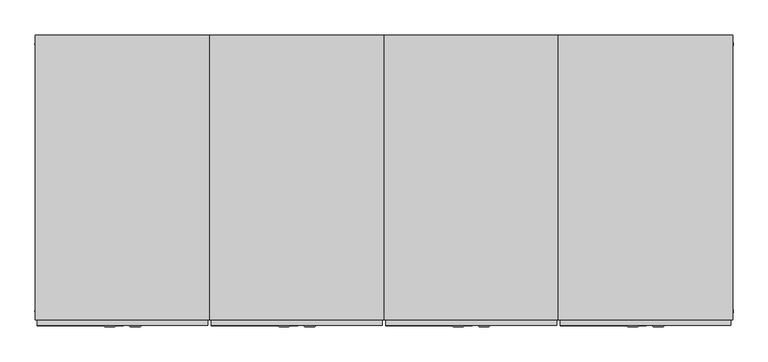
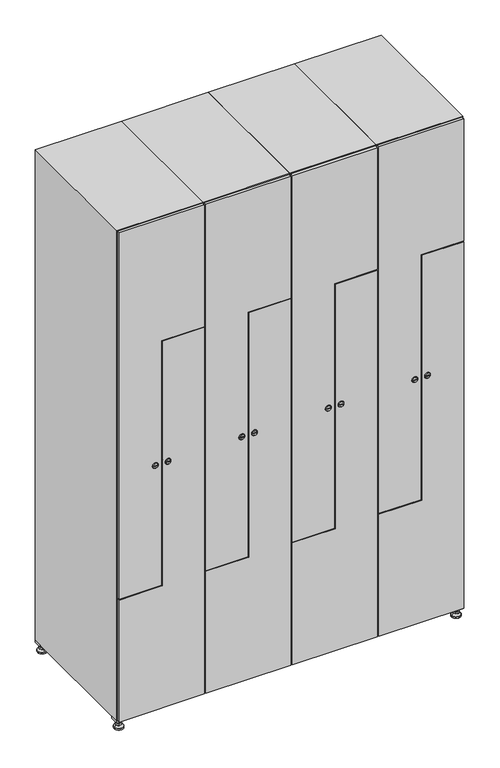
"""IFC4 building model written with IfcOpenShell, lengths in millimetres: furniture geometry."""

from ifc_helpers import new_model, si_unit, point, frame, frame_2d, origin, origin_with_axes, place, context, project, spatial, polyline, circle_curve, trimmed, segment, composite_curve, outline, extrude, faceted_brep, source, transform, mapped, element, save
from ifc_brep_helpers import plane_surface, revolved_surface, advanced_brep


def furniture_36a79df6(model_context):
    return source(origin(), model_context, "Body", "SolidModel", [
        extrude(outline(polyline([(1000.0, 245.0), (1000.0, 215.0), (970.0, 215.0), (970.0, 245.0), (1000.0, 245.0)]), holes=[polyline([(998.0, 243.0), (972.0, 243.0), (972.0, 217.0), (998.0, 217.0), (998.0, 243.0)])]), frame((0.0, 0.0, 28.5), z_axis=(0.0, 0.0, 1.0), x_axis=(1.0, 0.0, 0.0)), (0.0, 0.0, 1.0), 6.5),
        extrude(outline(polyline([(970.0, -245.0), (970.0, -215.0), (1000.0, -215.0), (1000.0, -245.0), (970.0, -245.0)]), holes=[polyline([(972.0, -243.0), (998.0, -243.0), (998.0, -217.0), (972.0, -217.0), (972.0, -243.0)])]), frame((0.0, 0.0, 28.5), z_axis=(0.0, 0.0, 1.0), x_axis=(1.0, 0.0, 0.0)), (0.0, 0.0, 1.0), 6.5),
        extrude(outline(polyline([(-170.0, 245.0), (-170.0, 215.0), (-200.0, 215.0), (-200.0, 245.0), (-170.0, 245.0)]), holes=[polyline([(-172.0, 243.0), (-198.0, 243.0), (-198.0, 217.0), (-172.0, 217.0), (-172.0, 243.0)])]), frame((0.0, 0.0, 28.5), z_axis=(0.0, 0.0, 1.0), x_axis=(1.0, 0.0, 0.0)), (0.0, 0.0, 1.0), 6.5),
        extrude(outline(polyline([(-170.0, -215.0), (-170.0, -245.0), (-200.0, -245.0), (-200.0, -215.0), (-170.0, -215.0)]), holes=[polyline([(-198.0, -243.0), (-172.0, -243.0), (-172.0, -217.0), (-198.0, -217.0), (-198.0, -243.0)])]), frame((0.0, 0.0, 28.5), z_axis=(0.0, 0.0, 1.0), x_axis=(1.0, 0.0, 0.0)), (0.0, 0.0, 1.0), 6.5),
        extrude(outline(composite_curve([segment(trimmed(circle_curve(frame_2d((-185.0, 230.0)), 5.0), [point((-180.0, 230.0))], [point((-190.0, 230.0))], False, "CARTESIAN"), True, "CONTINUOUS"), segment(trimmed(circle_curve(frame_2d((-185.0, 230.0)), 5.0), [point((-190.0, 230.0))], [point((-180.0, 230.0))], False, "CARTESIAN"), True, "CONTINUOUS")], self_intersect=False)), frame((0.0, 0.0, 19.6), z_axis=(0.0, 0.0, 1.0), x_axis=(1.0, 0.0, 0.0)), (0.0, 0.0, 1.0), 15.4),
        extrude(outline(composite_curve([segment(trimmed(circle_curve(frame_2d((-185.0, -230.0)), 5.0), [point((-180.0, -230.0))], [point((-190.0, -230.0))], False, "CARTESIAN"), True, "CONTINUOUS"), segment(trimmed(circle_curve(frame_2d((-185.0, -230.0)), 5.0), [point((-190.0, -230.0))], [point((-180.0, -230.0))], False, "CARTESIAN"), True, "CONTINUOUS")], self_intersect=False)), frame((0.0, 0.0, 19.6), z_axis=(0.0, 0.0, 1.0), x_axis=(1.0, 0.0, 0.0)), (0.0, 0.0, 1.0), 15.4),
        extrude(outline(composite_curve([segment(trimmed(circle_curve(frame_2d((985.0, 230.0)), 5.0), [point((990.0, 230.0))], [point((980.0, 230.0))], False, "CARTESIAN"), True, "CONTINUOUS"), segment(trimmed(circle_curve(frame_2d((985.0, 230.0)), 5.0), [point((980.0, 230.0))], [point((990.0, 230.0))], False, "CARTESIAN"), True, "CONTINUOUS")], self_intersect=False)), frame((0.0, 0.0, 19.6), z_axis=(0.0, 0.0, 1.0), x_axis=(1.0, 0.0, 0.0)), (0.0, 0.0, 1.0), 15.4),
        extrude(outline(polyline([(973.4529946, 230.0), (979.2264973, 240.0), (990.7735027, 240.0), (996.5470054, 230.0), (990.7735027, 220.0), (979.2264973, 220.0), (973.4529946, 230.0)])), frame((0.0, 0.0, 13.6), z_axis=(0.0, 0.0, 1.0), x_axis=(1.0, 0.0, 0.0)), (0.0, 0.0, 1.0), 6.0),
        extrude(outline(composite_curve([segment(trimmed(circle_curve(frame_2d((985.0, -230.0)), 5.0), [point((990.0, -230.0))], [point((980.0, -230.0))], False, "CARTESIAN"), True, "CONTINUOUS"), segment(trimmed(circle_curve(frame_2d((985.0, -230.0)), 5.0), [point((980.0, -230.0))], [point((990.0, -230.0))], False, "CARTESIAN"), True, "CONTINUOUS")], self_intersect=False)), frame((0.0, 0.0, 19.6), z_axis=(0.0, 0.0, 1.0), x_axis=(1.0, 0.0, 0.0)), (0.0, 0.0, 1.0), 15.4),
        extrude(outline(polyline([(973.4529946, -230.0), (979.2264973, -220.0), (990.7735027, -220.0), (996.5470054, -230.0), (990.7735027, -240.0), (979.2264973, -240.0), (973.4529946, -230.0)])), frame((0.0, 0.0, 13.6), z_axis=(0.0, 0.0, 1.0), x_axis=(1.0, 0.0, 0.0)), (0.0, 0.0, 1.0), 6.0),
        extrude(outline(composite_curve([segment(trimmed(circle_curve(frame_2d((985.0, 230.0)), 5.0), [point((990.0, 230.0))], [point((980.0, 230.0))], False, "CARTESIAN"), True, "CONTINUOUS"), segment(trimmed(circle_curve(frame_2d((985.0, 230.0)), 5.0), [point((980.0, 230.0))], [point((990.0, 230.0))], False, "CARTESIAN"), True, "CONTINUOUS")], self_intersect=False)), frame((0.0, 0.0, 12.1), z_axis=(0.0, 0.0, 1.0), x_axis=(1.0, 0.0, 0.0)), (0.0, 0.0, 1.0), 1.5),
        extrude(outline(composite_curve([segment(trimmed(circle_curve(frame_2d((985.0, -230.0)), 5.0), [point((990.0, -230.0))], [point((980.0, -230.0))], False, "CARTESIAN"), True, "CONTINUOUS"), segment(trimmed(circle_curve(frame_2d((985.0, -230.0)), 5.0), [point((980.0, -230.0))], [point((990.0, -230.0))], False, "CARTESIAN"), True, "CONTINUOUS")], self_intersect=False)), frame((0.0, 0.0, 12.1), z_axis=(0.0, 0.0, 1.0), x_axis=(1.0, 0.0, 0.0)), (0.0, 0.0, 1.0), 1.5),
        extrude(outline(polyline([(-196.5470054, 230.0), (-190.7735027, 240.0), (-179.2264973, 240.0), (-173.4529946, 230.0), (-179.2264973, 220.0), (-190.7735027, 220.0), (-196.5470054, 230.0)])), frame((0.0, 0.0, 13.6), z_axis=(0.0, 0.0, 1.0), x_axis=(1.0, 0.0, 0.0)), (0.0, 0.0, 1.0), 6.0),
        extrude(outline(polyline([(-196.5470054, -230.0), (-190.7735027, -220.0), (-179.2264973, -220.0), (-173.4529946, -230.0), (-179.2264973, -240.0), (-190.7735027, -240.0), (-196.5470054, -230.0)])), frame((0.0, 0.0, 13.6), z_axis=(0.0, 0.0, 1.0), x_axis=(1.0, 0.0, 0.0)), (0.0, 0.0, 1.0), 6.0),
        extrude(outline(composite_curve([segment(trimmed(circle_curve(frame_2d((-185.0, 230.0)), 5.0), [point((-185.0, 235.0))], [point((-185.0, 225.0))], False, "CARTESIAN"), True, "CONTINUOUS"), segment(trimmed(circle_curve(frame_2d((-185.0, 230.0)), 5.0), [point((-185.0, 225.0))], [point((-185.0, 235.0))], False, "CARTESIAN"), True, "CONTINUOUS")], self_intersect=False)), frame((0.0, 0.0, 12.1), z_axis=(0.0, 0.0, 1.0), x_axis=(1.0, 0.0, 0.0)), (0.0, 0.0, 1.0), 1.5),
        extrude(outline(composite_curve([segment(trimmed(circle_curve(frame_2d((-185.0, -230.0)), 5.0), [point((-180.0, -230.0))], [point((-190.0, -230.0))], False, "CARTESIAN"), True, "CONTINUOUS"), segment(trimmed(circle_curve(frame_2d((-185.0, -230.0)), 5.0), [point((-190.0, -230.0))], [point((-180.0, -230.0))], False, "CARTESIAN"), True, "CONTINUOUS")], self_intersect=False)), frame((0.0, 0.0, 12.1), z_axis=(0.0, 0.0, 1.0), x_axis=(1.0, 0.0, 0.0)), (0.0, 0.0, 1.0), 1.5),
        extrude(outline(composite_curve([segment(trimmed(circle_curve(frame_2d((985.0, 230.0)), 15.75), [point((1000.75, 230.0))], [point((969.25, 230.0))], False, "CARTESIAN"), True, "CONTINUOUS"), segment(trimmed(circle_curve(frame_2d((985.0, 230.0)), 15.75), [point((969.25, 230.0))], [point((1000.75, 230.0))], False, "CARTESIAN"), True, "CONTINUOUS")], self_intersect=False)), origin_with_axes(), (0.0, 0.0, 1.0), 5.1),
        extrude(outline(composite_curve([segment(trimmed(circle_curve(frame_2d((985.0, -230.0)), 15.75), [point((985.0, -214.25))], [point((985.0, -245.75))], False, "CARTESIAN"), True, "CONTINUOUS"), segment(trimmed(circle_curve(frame_2d((985.0, -230.0)), 15.75), [point((985.0, -245.75))], [point((985.0, -214.25))], False, "CARTESIAN"), True, "CONTINUOUS")], self_intersect=False)), origin_with_axes(), (0.0, 0.0, 1.0), 5.1),
        extrude(outline(composite_curve([segment(trimmed(circle_curve(frame_2d((-185.0, -230.0)), 15.75), [point((-169.25, -230.0))], [point((-200.75, -230.0))], False, "CARTESIAN"), True, "CONTINUOUS"), segment(trimmed(circle_curve(frame_2d((-185.0, -230.0)), 15.75), [point((-200.75, -230.0))], [point((-169.25, -230.0))], False, "CARTESIAN"), True, "CONTINUOUS")], self_intersect=False)), origin_with_axes(), (0.0, 0.0, 1.0), 5.1),
        extrude(outline(composite_curve([segment(trimmed(circle_curve(frame_2d((-185.0, 230.0)), 15.75), [point((-169.25, 230.0))], [point((-200.75, 230.0))], False, "CARTESIAN"), True, "CONTINUOUS"), segment(trimmed(circle_curve(frame_2d((-185.0, 230.0)), 15.75), [point((-200.75, 230.0))], [point((-169.25, 230.0))], False, "CARTESIAN"), True, "CONTINUOUS")], self_intersect=False)), origin_with_axes(), (0.0, 0.0, 1.0), 5.1),
        advanced_brep(
        [(-185.0, 239.5, 12.1), (-185.0, 220.5, 12.1), (-185.0, 214.25, 5.1), (-185.0, 245.75, 5.1)],
        [
            (0, 1, circle_curve(frame((-185.0, 230.0, 12.1), z_axis=(0.0, 0.0, -1.0), x_axis=(0.0, 1.0, 0.0)), 9.5)),
            (1, 2),
            (2, 3, circle_curve(frame((-185.0, 230.0, 5.1), z_axis=(0.0, 0.0, 1.0), x_axis=(0.0, 1.0, 0.0)), 15.75)),
            (3, 0),
            (1, 0, circle_curve(frame((-185.0, 230.0, 12.1), z_axis=(0.0, 0.0, -1.0), x_axis=(0.0, -1.0, 0.0)), 9.5)),
            (3, 2, circle_curve(frame((-185.0, 230.0, 5.1), z_axis=(0.0, 0.0, 1.0), x_axis=(0.0, -1.0, 0.0)), 15.75)),
        ],
        [
            revolved_surface(polyline([(-185.0, 220.5, 12.099999999999998), (-185.0, 214.25, 5.099999999999998)]), (-185.0, 230.0, 22.74), (0.0, 0.0, -1.0)),
            revolved_surface(polyline([(-185.0, 239.5, 12.099999999999998), (-185.0, 245.75, 5.099999999999998)]), (-185.0, 230.0, 22.74), (0.0, 0.0, -1.0)),
            plane_surface(frame((-185.0, 230.0, 5.1), z_axis=(0.0, 0.0, -1.0), x_axis=(1.0, 0.0, 0.0))),
            plane_surface(frame((-185.0, 230.0, 12.1), z_axis=(0.0, 0.0, 1.0), x_axis=(1.0, 0.0, 0.0))),
        ],
        [
            (0, [[1, 2, 3, 4]]),
            (1, [[5, -4, 6, -2]]),
            (2, [[-3, -6]]),
            (3, [[-5, -1]]),
        ],
    ),
        advanced_brep(
        [(985.0, 239.5, 12.1), (985.0, 220.5, 12.1), (985.0, 214.25, 5.1), (985.0, 245.75, 5.1)],
        [
            (0, 1, circle_curve(frame((985.0, 230.0, 12.1), z_axis=(0.0, 0.0, -1.0), x_axis=(0.0, 1.0, 0.0)), 9.5)),
            (1, 2),
            (2, 3, circle_curve(frame((985.0, 230.0, 5.1), z_axis=(0.0, 0.0, 1.0), x_axis=(0.0, 1.0, 0.0)), 15.75)),
            (3, 0),
            (1, 0, circle_curve(frame((985.0, 230.0, 12.1), z_axis=(0.0, 0.0, -1.0), x_axis=(0.0, -1.0, 0.0)), 9.5)),
            (3, 2, circle_curve(frame((985.0, 230.0, 5.1), z_axis=(0.0, 0.0, 1.0), x_axis=(0.0, -1.0, 0.0)), 15.75)),
        ],
        [
            revolved_surface(polyline([(985.0, 220.5, 12.099999999999998), (985.0, 214.25, 5.099999999999998)]), (985.0, 230.0, 22.74), (0.0, 0.0, -1.0)),
            revolved_surface(polyline([(985.0, 239.5, 12.099999999999998), (985.0, 245.75, 5.099999999999998)]), (985.0, 230.0, 22.74), (0.0, 0.0, -1.0)),
            plane_surface(frame((985.0, 230.0, 5.1), z_axis=(0.0, 0.0, -1.0), x_axis=(1.0, 0.0, 0.0))),
            plane_surface(frame((985.0, 230.0, 12.1), z_axis=(0.0, 0.0, 1.0), x_axis=(1.0, 0.0, 0.0))),
        ],
        [
            (0, [[1, 2, 3, 4]]),
            (1, [[5, -4, 6, -2]]),
            (2, [[-3, -6]]),
            (3, [[-5, -1]]),
        ],
    ),
        advanced_brep(
        [(1000.75, -230.0, 5.1), (969.25, -230.0, 5.1), (975.5, -230.0, 12.1), (994.5, -230.0, 12.1)],
        [
            (0, 1, circle_curve(frame((985.0, -230.0, 5.1), z_axis=(0.0, 0.0, 1.0), x_axis=(1.0, 0.0, 0.0)), 15.75)),
            (1, 2),
            (2, 3, circle_curve(frame((985.0, -230.0, 12.1), z_axis=(0.0, 0.0, -1.0), x_axis=(1.0, 0.0, 0.0)), 9.5)),
            (3, 0),
            (1, 0, circle_curve(frame((985.0, -230.0, 5.1), z_axis=(0.0, 0.0, 1.0), x_axis=(-1.0, 0.0, 0.0)), 15.75)),
            (3, 2, circle_curve(frame((985.0, -230.0, 12.1), z_axis=(0.0, 0.0, -1.0), x_axis=(-1.0, 0.0, 0.0)), 9.5)),
        ],
        [
            revolved_surface(polyline([(994.5, -230.0, 12.099999999999998), (1000.75, -230.0, 5.099999999999998)]), (985.0, -230.0, 22.74), (0.0, 0.0, -1.0)),
            revolved_surface(polyline([(975.5, -230.0, 12.099999999999998), (969.25, -230.0, 5.099999999999998)]), (985.0, -230.0, 22.74), (0.0, 0.0, -1.0)),
            plane_surface(frame((985.0, -230.0, 12.1), z_axis=(0.0, 0.0, 1.0), x_axis=(0.0, 1.0, 0.0))),
            plane_surface(frame((985.0, -230.0, 5.1), z_axis=(0.0, 0.0, -1.0), x_axis=(0.0, 1.0, 0.0))),
        ],
        [
            (0, [[1, 2, 3, 4]]),
            (1, [[5, -4, 6, -2]]),
            (2, [[-3, -6]]),
            (3, [[-5, -1]]),
        ],
    ),
        advanced_brep(
        [(-169.25, -230.0, 5.1), (-200.75, -230.0, 5.1), (-194.5, -230.0, 12.1), (-175.5, -230.0, 12.1)],
        [
            (0, 1, circle_curve(frame((-185.0, -230.0, 5.1), z_axis=(0.0, 0.0, 1.0), x_axis=(1.0, 0.0, 0.0)), 15.75)),
            (1, 2),
            (2, 3, circle_curve(frame((-185.0, -230.0, 12.1), z_axis=(0.0, 0.0, -1.0), x_axis=(1.0, 0.0, 0.0)), 9.5)),
            (3, 0),
            (1, 0, circle_curve(frame((-185.0, -230.0, 5.1), z_axis=(0.0, 0.0, 1.0), x_axis=(-1.0, 0.0, 0.0)), 15.75)),
            (3, 2, circle_curve(frame((-185.0, -230.0, 12.1), z_axis=(0.0, 0.0, -1.0), x_axis=(-1.0, 0.0, 0.0)), 9.5)),
        ],
        [
            revolved_surface(polyline([(-175.5, -230.0, 12.099999999999998), (-169.25, -230.0, 5.099999999999998)]), (-185.0, -230.0, 22.74), (0.0, 0.0, -1.0)),
            revolved_surface(polyline([(-194.5, -230.0, 12.099999999999998), (-200.75, -230.0, 5.099999999999998)]), (-185.0, -230.0, 22.74), (0.0, 0.0, -1.0)),
            plane_surface(frame((-185.0, -230.0, 12.1), z_axis=(0.0, 0.0, 1.0), x_axis=(0.0, 1.0, 0.0))),
            plane_surface(frame((-185.0, -230.0, 5.1), z_axis=(0.0, 0.0, -1.0), x_axis=(0.0, 1.0, 0.0))),
        ],
        [
            (0, [[1, 2, 3, 4]]),
            (1, [[5, -4, 6, -2]]),
            (2, [[-3, -6]]),
            (3, [[-5, -1]]),
        ],
    ),
        extrude(outline(composite_curve([segment(trimmed(circle_curve(frame_2d((935.0, 854.7989466)), 7.0), [point((928.0, 854.7989466))], [point((942.0, 854.7989466))], False, "CARTESIAN"), True, "CONTINUOUS"), segment(polyline([(942.0, 854.7989466), (942.0, 826.7989466)]), True, "CONTINUOUS"), segment(trimmed(circle_curve(frame_2d((935.0, 826.7989466)), 7.0), [point((942.0, 826.7989466))], [point((928.0, 826.7989466))], False, "CARTESIAN"), True, "CONTINUOUS"), segment(polyline([(928.0, 826.7989466), (928.0, 854.7989466)]), True, "CONTINUOUS")], self_intersect=False)), frame((0.0, -245.0, 0.0), z_axis=(0.0, 1.0, 0.0), x_axis=(0.0, 0.0, 1.0)), (0.0, 0.0, 1.0), 2.0),
        advanced_brep(
        [(819.5, -257.2, 935.0), (836.5, -257.2, 935.0), (833.0, -257.2, 936.25), (833.0, -257.2, 933.75), (823.0, -257.2, 933.75), (823.0, -257.2, 936.25), (817.5, -255.0, 935.0), (838.5, -255.0, 935.0), (833.0, -255.0, 933.75), (833.0, -255.0, 936.25), (823.0, -255.0, 936.25), (823.0, -255.0, 933.75)],
        [
            (0, 1, circle_curve(frame((828.0, -257.2, 935.0), z_axis=(0.0, -1.0, 0.0), x_axis=(-1.0, 0.0, 0.0)), 8.5)),
            (1, 0, circle_curve(frame((828.0, -257.2, 935.0), z_axis=(0.0, -1.0, 0.0), x_axis=(1.0, 0.0, 0.0)), 8.5)),
            (2, 3),
            (3, 4),
            (4, 5),
            (5, 2),
            (6, 7, circle_curve(frame((828.0, -255.0, 935.0), z_axis=(0.0, 1.0, 0.0), x_axis=(1.0, 0.0, 0.0)), 10.5)),
            (7, 6, circle_curve(frame((828.0, -255.0, 935.0), z_axis=(0.0, 1.0, 0.0), x_axis=(-1.0, 0.0, 0.0)), 10.5)),
            (8, 9),
            (9, 10),
            (10, 11),
            (11, 8),
            (0, 6),
            (7, 1),
            (8, 3),
            (2, 9),
            (11, 4),
            (10, 5),
        ],
        [
            plane_surface(frame((828.0, -257.2, 935.0), z_axis=(0.0, -1.0, 0.0), x_axis=(0.0, 0.0, -1.0))),
            plane_surface(frame((828.0, -255.0, 935.0), z_axis=(0.0, 1.0, 0.0), x_axis=(0.0, 0.0, -1.0))),
            revolved_surface(polyline([(819.5, -257.2, 935.0), (817.5, -255.0, 935.0)]), (828.0, -266.55, 935.0), (0.0, 1.0, 0.0)),
            revolved_surface(polyline([(836.5, -257.2, 935.0), (838.5, -255.0, 935.0)]), (828.0, -266.55, 935.0), (0.0, 1.0, 0.0)),
            plane_surface(frame((833.0, -255.0, 936.25), z_axis=(-1.0, 0.0, 0.0), x_axis=(0.0, -1.0, 0.0))),
            plane_surface(frame((833.0, -255.0, 933.75), z_axis=(0.0, 0.0, 1.0), x_axis=(0.0, -1.0, 0.0))),
            plane_surface(frame((823.0, -255.0, 933.75), z_axis=(1.0, 0.0, 0.0), x_axis=(0.0, -1.0, 0.0))),
            plane_surface(frame((823.0, -255.0, 936.25), z_axis=(0.0, 0.0, -1.0), x_axis=(0.0, -1.0, 0.0))),
        ],
        [
            (0, [[1, 2], [3, 4, 5, 6]]),
            (1, [[7, 8], [9, 10, 11, 12]]),
            (2, [[-1, 13, -8, 14]]),
            (3, [[-2, -14, -7, -13]]),
            (4, [[15, -3, 16, -9]]),
            (5, [[-15, -12, 17, -4]]),
            (6, [[-17, -11, 18, -5]]),
            (7, [[-16, -6, -18, -10]]),
        ],
    ),
        extrude(outline(polyline([(1832.0, 703.0), (488.0, 703.0), (488.0, 848.5), (1385.0, 848.5), (1385.0, 997.0), (1832.0, 997.0), (1832.0, 703.0)])), frame((0.0, -255.0, 0.0), z_axis=(0.0, 1.0, 0.0), x_axis=(0.0, 0.0, 1.0)), (0.0, 0.0, 1.0), 10.0),
        extrude(outline(composite_curve([segment(trimmed(circle_curve(frame_2d((935.0, 845.2010534)), 7.0), [point((942.0, 845.2010534))], [point((928.0, 845.2010534))], False, "CARTESIAN"), True, "CONTINUOUS"), segment(polyline([(928.0, 845.2010534), (928.0, 873.2010534)]), True, "CONTINUOUS"), segment(trimmed(circle_curve(frame_2d((935.0, 873.2010534)), 7.0), [point((928.0, 873.2010534))], [point((942.0, 873.2010534))], False, "CARTESIAN"), True, "CONTINUOUS"), segment(polyline([(942.0, 873.2010534), (942.0, 845.2010534)]), True, "CONTINUOUS")], self_intersect=False)), frame((0.0, -245.0, 0.0), z_axis=(0.0, 1.0, 0.0), x_axis=(0.0, 0.0, 1.0)), (0.0, 0.0, 1.0), 2.0),
        advanced_brep(
        [(880.5, -257.2, 935.0), (863.5, -257.2, 935.0), (867.0, -257.2, 933.75), (867.0, -257.2, 936.25), (877.0, -257.2, 936.25), (877.0, -257.2, 933.75), (882.5, -255.0, 935.0), (861.5, -255.0, 935.0), (867.0, -255.0, 936.25), (867.0, -255.0, 933.75), (877.0, -255.0, 933.75), (877.0, -255.0, 936.25)],
        [
            (0, 1, circle_curve(frame((872.0, -257.2, 935.0), z_axis=(0.0, -1.0, 0.0), x_axis=(1.0, 0.0, 0.0)), 8.5)),
            (1, 0, circle_curve(frame((872.0, -257.2, 935.0), z_axis=(0.0, -1.0, 0.0), x_axis=(-1.0, 0.0, 0.0)), 8.5)),
            (2, 3),
            (3, 4),
            (4, 5),
            (5, 2),
            (6, 7, circle_curve(frame((872.0, -255.0, 935.0), z_axis=(0.0, 1.0, 0.0), x_axis=(-1.0, 0.0, 0.0)), 10.5)),
            (7, 6, circle_curve(frame((872.0, -255.0, 935.0), z_axis=(0.0, 1.0, 0.0), x_axis=(1.0, 0.0, 0.0)), 10.5)),
            (8, 9),
            (9, 10),
            (10, 11),
            (11, 8),
            (0, 6),
            (7, 1),
            (8, 3),
            (2, 9),
            (11, 4),
            (10, 5),
        ],
        [
            plane_surface(frame((872.0, -257.2, 935.0), z_axis=(0.0, -1.0, 0.0), x_axis=(0.0, 0.0, 1.0))),
            plane_surface(frame((872.0, -255.0, 935.0), z_axis=(0.0, 1.0, 0.0), x_axis=(0.0, 0.0, 1.0))),
            revolved_surface(polyline([(880.5, -257.2, 935.0), (882.5, -255.0, 935.0)]), (872.0, -266.55, 935.0), (0.0, 1.0, 0.0)),
            revolved_surface(polyline([(863.5, -257.2, 935.0), (861.5, -255.0, 935.0)]), (872.0, -266.55, 935.0), (0.0, 1.0, 0.0)),
            plane_surface(frame((867.0, -255.0, 933.75), z_axis=(1.0, 0.0, 0.0), x_axis=(0.0, -1.0, 0.0))),
            plane_surface(frame((867.0, -255.0, 936.25), z_axis=(0.0, 0.0, -1.0), x_axis=(0.0, -1.0, 0.0))),
            plane_surface(frame((877.0, -255.0, 936.25), z_axis=(-1.0, 0.0, 0.0), x_axis=(0.0, -1.0, 0.0))),
            plane_surface(frame((877.0, -255.0, 933.75), z_axis=(0.0, 0.0, 1.0), x_axis=(0.0, -1.0, 0.0))),
        ],
        [
            (0, [[1, 2], [3, 4, 5, 6]]),
            (1, [[7, 8], [9, 10, 11, 12]]),
            (2, [[-1, 13, -8, 14]]),
            (3, [[-2, -14, -7, -13]]),
            (4, [[15, -3, 16, -9]]),
            (5, [[-15, -12, 17, -4]]),
            (6, [[-17, -11, 18, -5]]),
            (7, [[-16, -6, -18, -10]]),
        ],
    ),
        extrude(outline(polyline([(38.0, 997.0), (1382.0, 997.0), (1382.0, 851.5), (485.0, 851.5), (485.0, 703.0), (38.0, 703.0), (38.0, 997.0)])), frame((0.0, -255.0, 0.0), z_axis=(0.0, 1.0, 0.0), x_axis=(0.0, 0.0, 1.0)), (0.0, 0.0, 1.0), 10.0),
        extrude(outline(polyline([(1373.3, 979.6), (1393.7, 979.6), (1393.7, 839.8), (496.7, 839.8), (496.7, 720.4), (476.3, 720.4), (476.3, 860.2), (1373.3, 860.2), (1373.3, 979.6)])), frame((0.0, -245.0, 0.0), z_axis=(0.0, 1.0, 0.0), x_axis=(0.0, 0.0, 1.0)), (0.0, 0.0, 1.0), 487.0),
        faceted_brep([(1000.0, -245.0, 35.0), (1000.0, -245.0, 1835.0), (700.0, -245.0, 1835.0), (700.0, -245.0, 35.0), (979.6, -245.0, 1804.8), (979.6, -245.0, 65.2), (720.4, -245.0, 65.2), (720.4, -245.0, 1804.8), (1000.0, 245.0, 35.0), (700.0, 245.0, 35.0), (1000.0, 245.0, 1835.0), (700.0, 245.0, 1835.0), (979.6, 242.0, 1804.8), (979.6, 242.0, 65.2), (700.0, 245.0, 1804.8), (720.4, 242.0, 1804.8), (720.4, 242.0, 65.2)], [[[0, 1, 2, 3], [4, 5, 6, 7]], [[8, 0, 3, 9]], [[1, 0, 8, 10]], [[1, 10, 11, 2]], [[4, 12, 13, 5]], [[9, 3, 2, 11, 14]], [[10, 8, 9, 14, 11]], [[12, 15, 16, 13]], [[15, 7, 6, 16]], [[4, 7, 15, 12]], [[6, 5, 13, 16]]]),
        extrude(outline(composite_curve([segment(trimmed(circle_curve(frame_2d((935.0, 554.7989466)), 7.0), [point((928.0, 554.7989466))], [point((942.0, 554.7989466))], False, "CARTESIAN"), True, "CONTINUOUS"), segment(polyline([(942.0, 554.7989466), (942.0, 526.7989466)]), True, "CONTINUOUS"), segment(trimmed(circle_curve(frame_2d((935.0, 526.7989466)), 7.0), [point((942.0, 526.7989466))], [point((928.0, 526.7989466))], False, "CARTESIAN"), True, "CONTINUOUS"), segment(polyline([(928.0, 526.7989466), (928.0, 554.7989466)]), True, "CONTINUOUS")], self_intersect=False)), frame((0.0, -245.0, 0.0), z_axis=(0.0, 1.0, 0.0), x_axis=(0.0, 0.0, 1.0)), (0.0, 0.0, 1.0), 2.0),
        advanced_brep(
        [(519.5, -257.2, 935.0), (536.5, -257.2, 935.0), (533.0, -257.2, 936.25), (533.0, -257.2, 933.75), (523.0, -257.2, 933.75), (523.0, -257.2, 936.25), (517.5, -255.0, 935.0), (538.5, -255.0, 935.0), (533.0, -255.0, 933.75), (533.0, -255.0, 936.25), (523.0, -255.0, 936.25), (523.0, -255.0, 933.75)],
        [
            (0, 1, circle_curve(frame((528.0, -257.2, 935.0), z_axis=(0.0, -1.0, 0.0), x_axis=(-1.0, 0.0, 0.0)), 8.5)),
            (1, 0, circle_curve(frame((528.0, -257.2, 935.0), z_axis=(0.0, -1.0, 0.0), x_axis=(1.0, 0.0, 0.0)), 8.5)),
            (2, 3),
            (3, 4),
            (4, 5),
            (5, 2),
            (6, 7, circle_curve(frame((528.0, -255.0, 935.0), z_axis=(0.0, 1.0, 0.0), x_axis=(1.0, 0.0, 0.0)), 10.5)),
            (7, 6, circle_curve(frame((528.0, -255.0, 935.0), z_axis=(0.0, 1.0, 0.0), x_axis=(-1.0, 0.0, 0.0)), 10.5)),
            (8, 9),
            (9, 10),
            (10, 11),
            (11, 8),
            (0, 6),
            (7, 1),
            (8, 3),
            (2, 9),
            (11, 4),
            (10, 5),
        ],
        [
            plane_surface(frame((528.0, -257.2, 935.0), z_axis=(0.0, -1.0, 0.0), x_axis=(0.0, 0.0, -1.0))),
            plane_surface(frame((528.0, -255.0, 935.0), z_axis=(0.0, 1.0, 0.0), x_axis=(0.0, 0.0, -1.0))),
            revolved_surface(polyline([(519.5, -257.2, 935.0), (517.5, -255.0, 935.0)]), (528.0, -266.55, 935.0), (0.0, 1.0, 0.0)),
            revolved_surface(polyline([(536.5, -257.2, 935.0), (538.5, -255.0, 935.0)]), (528.0, -266.55, 935.0), (0.0, 1.0, 0.0)),
            plane_surface(frame((533.0, -255.0, 936.25), z_axis=(-1.0, 0.0, 0.0), x_axis=(0.0, -1.0, 0.0))),
            plane_surface(frame((533.0, -255.0, 933.75), z_axis=(0.0, 0.0, 1.0), x_axis=(0.0, -1.0, 0.0))),
            plane_surface(frame((523.0, -255.0, 933.75), z_axis=(1.0, 0.0, 0.0), x_axis=(0.0, -1.0, 0.0))),
            plane_surface(frame((523.0, -255.0, 936.25), z_axis=(0.0, 0.0, -1.0), x_axis=(0.0, -1.0, 0.0))),
        ],
        [
            (0, [[1, 2], [3, 4, 5, 6]]),
            (1, [[7, 8], [9, 10, 11, 12]]),
            (2, [[-1, 13, -8, 14]]),
            (3, [[-2, -14, -7, -13]]),
            (4, [[15, -3, 16, -9]]),
            (5, [[-15, -12, 17, -4]]),
            (6, [[-17, -11, 18, -5]]),
            (7, [[-16, -6, -18, -10]]),
        ],
    ),
        extrude(outline(polyline([(1832.0, 403.0), (488.0, 403.0), (488.0, 548.5), (1385.0, 548.5), (1385.0, 697.0), (1832.0, 697.0), (1832.0, 403.0)])), frame((0.0, -255.0, 0.0), z_axis=(0.0, 1.0, 0.0), x_axis=(0.0, 0.0, 1.0)), (0.0, 0.0, 1.0), 10.0),
        extrude(outline(composite_curve([segment(trimmed(circle_curve(frame_2d((935.0, 545.2010534)), 7.0), [point((942.0, 545.2010534))], [point((928.0, 545.2010534))], False, "CARTESIAN"), True, "CONTINUOUS"), segment(polyline([(928.0, 545.2010534), (928.0, 573.2010534)]), True, "CONTINUOUS"), segment(trimmed(circle_curve(frame_2d((935.0, 573.2010534)), 7.0), [point((928.0, 573.2010534))], [point((942.0, 573.2010534))], False, "CARTESIAN"), True, "CONTINUOUS"), segment(polyline([(942.0, 573.2010534), (942.0, 545.2010534)]), True, "CONTINUOUS")], self_intersect=False)), frame((0.0, -245.0, 0.0), z_axis=(0.0, 1.0, 0.0), x_axis=(0.0, 0.0, 1.0)), (0.0, 0.0, 1.0), 2.0),
        advanced_brep(
        [(580.5, -257.2, 935.0), (563.5, -257.2, 935.0), (567.0, -257.2, 933.75), (567.0, -257.2, 936.25), (577.0, -257.2, 936.25), (577.0, -257.2, 933.75), (582.5, -255.0, 935.0), (561.5, -255.0, 935.0), (567.0, -255.0, 936.25), (567.0, -255.0, 933.75), (577.0, -255.0, 933.75), (577.0, -255.0, 936.25)],
        [
            (0, 1, circle_curve(frame((572.0, -257.2, 935.0), z_axis=(0.0, -1.0, 0.0), x_axis=(1.0, 0.0, 0.0)), 8.5)),
            (1, 0, circle_curve(frame((572.0, -257.2, 935.0), z_axis=(0.0, -1.0, 0.0), x_axis=(-1.0, 0.0, 0.0)), 8.5)),
            (2, 3),
            (3, 4),
            (4, 5),
            (5, 2),
            (6, 7, circle_curve(frame((572.0, -255.0, 935.0), z_axis=(0.0, 1.0, 0.0), x_axis=(-1.0, 0.0, 0.0)), 10.5)),
            (7, 6, circle_curve(frame((572.0, -255.0, 935.0), z_axis=(0.0, 1.0, 0.0), x_axis=(1.0, 0.0, 0.0)), 10.5)),
            (8, 9),
            (9, 10),
            (10, 11),
            (11, 8),
            (0, 6),
            (7, 1),
            (8, 3),
            (2, 9),
            (11, 4),
            (10, 5),
        ],
        [
            plane_surface(frame((572.0, -257.2, 935.0), z_axis=(0.0, -1.0, 0.0), x_axis=(0.0, 0.0, 1.0))),
            plane_surface(frame((572.0, -255.0, 935.0), z_axis=(0.0, 1.0, 0.0), x_axis=(0.0, 0.0, 1.0))),
            revolved_surface(polyline([(580.5, -257.2, 935.0), (582.5, -255.0, 935.0)]), (572.0, -266.55, 935.0), (0.0, 1.0, 0.0)),
            revolved_surface(polyline([(563.5, -257.2, 935.0), (561.5, -255.0, 935.0)]), (572.0, -266.55, 935.0), (0.0, 1.0, 0.0)),
            plane_surface(frame((567.0, -255.0, 933.75), z_axis=(1.0, 0.0, 0.0), x_axis=(0.0, -1.0, 0.0))),
            plane_surface(frame((567.0, -255.0, 936.25), z_axis=(0.0, 0.0, -1.0), x_axis=(0.0, -1.0, 0.0))),
            plane_surface(frame((577.0, -255.0, 936.25), z_axis=(-1.0, 0.0, 0.0), x_axis=(0.0, -1.0, 0.0))),
            plane_surface(frame((577.0, -255.0, 933.75), z_axis=(0.0, 0.0, 1.0), x_axis=(0.0, -1.0, 0.0))),
        ],
        [
            (0, [[1, 2], [3, 4, 5, 6]]),
            (1, [[7, 8], [9, 10, 11, 12]]),
            (2, [[-1, 13, -8, 14]]),
            (3, [[-2, -14, -7, -13]]),
            (4, [[15, -3, 16, -9]]),
            (5, [[-15, -12, 17, -4]]),
            (6, [[-17, -11, 18, -5]]),
            (7, [[-16, -6, -18, -10]]),
        ],
    ),
        extrude(outline(polyline([(38.0, 697.0), (1382.0, 697.0), (1382.0, 551.5), (485.0, 551.5), (485.0, 403.0), (38.0, 403.0), (38.0, 697.0)])), frame((0.0, -255.0, 0.0), z_axis=(0.0, 1.0, 0.0), x_axis=(0.0, 0.0, 1.0)), (0.0, 0.0, 1.0), 10.0),
        extrude(outline(polyline([(1373.3, 679.6), (1393.7, 679.6), (1393.7, 539.8), (496.7, 539.8), (496.7, 420.4), (476.3, 420.4), (476.3, 560.2), (1373.3, 560.2), (1373.3, 679.6)])), frame((0.0, -245.0, 0.0), z_axis=(0.0, 1.0, 0.0), x_axis=(0.0, 0.0, 1.0)), (0.0, 0.0, 1.0), 487.0),
        faceted_brep([(700.0, -245.0, 35.0), (700.0, -245.0, 1835.0), (400.0, -245.0, 1835.0), (400.0, -245.0, 35.0), (679.6, -245.0, 1804.8), (679.6, -245.0, 65.2), (420.4, -245.0, 65.2), (420.4, -245.0, 1804.8), (700.0, 245.0, 35.0), (400.0, 245.0, 35.0), (700.0, 245.0, 1835.0), (400.0, 245.0, 1835.0), (679.6, 242.0, 1804.8), (679.6, 242.0, 65.2), (400.0, 245.0, 1804.8), (420.4, 242.0, 1804.8), (420.4, 242.0, 65.2)], [[[0, 1, 2, 3], [4, 5, 6, 7]], [[8, 0, 3, 9]], [[1, 0, 8, 10]], [[1, 10, 11, 2]], [[4, 12, 13, 5]], [[9, 3, 2, 11, 14]], [[10, 8, 9, 14, 11]], [[12, 15, 16, 13]], [[15, 7, 6, 16]], [[4, 7, 15, 12]], [[6, 5, 13, 16]]]),
        extrude(outline(composite_curve([segment(trimmed(circle_curve(frame_2d((935.0, 254.7989466)), 7.0), [point((928.0, 254.7989466))], [point((942.0, 254.7989466))], False, "CARTESIAN"), True, "CONTINUOUS"), segment(polyline([(942.0, 254.7989466), (942.0, 226.7989466)]), True, "CONTINUOUS"), segment(trimmed(circle_curve(frame_2d((935.0, 226.7989466)), 7.0), [point((942.0, 226.7989466))], [point((928.0, 226.7989466))], False, "CARTESIAN"), True, "CONTINUOUS"), segment(polyline([(928.0, 226.7989466), (928.0, 254.7989466)]), True, "CONTINUOUS")], self_intersect=False)), frame((0.0, -245.0, 0.0), z_axis=(0.0, 1.0, 0.0), x_axis=(0.0, 0.0, 1.0)), (0.0, 0.0, 1.0), 2.0),
        advanced_brep(
        [(219.5, -257.2, 935.0), (236.5, -257.2, 935.0), (233.0, -257.2, 936.25), (233.0, -257.2, 933.75), (223.0, -257.2, 933.75), (223.0, -257.2, 936.25), (217.5, -255.0, 935.0), (238.5, -255.0, 935.0), (233.0, -255.0, 933.75), (233.0, -255.0, 936.25), (223.0, -255.0, 936.25), (223.0, -255.0, 933.75)],
        [
            (0, 1, circle_curve(frame((228.0, -257.2, 935.0), z_axis=(0.0, -1.0, 0.0), x_axis=(-1.0, 0.0, 0.0)), 8.5)),
            (1, 0, circle_curve(frame((228.0, -257.2, 935.0), z_axis=(0.0, -1.0, 0.0), x_axis=(1.0, 0.0, 0.0)), 8.5)),
            (2, 3),
            (3, 4),
            (4, 5),
            (5, 2),
            (6, 7, circle_curve(frame((228.0, -255.0, 935.0), z_axis=(0.0, 1.0, 0.0), x_axis=(1.0, 0.0, 0.0)), 10.5)),
            (7, 6, circle_curve(frame((228.0, -255.0, 935.0), z_axis=(0.0, 1.0, 0.0), x_axis=(-1.0, 0.0, 0.0)), 10.5)),
            (8, 9),
            (9, 10),
            (10, 11),
            (11, 8),
            (0, 6),
            (7, 1),
            (8, 3),
            (2, 9),
            (11, 4),
            (10, 5),
        ],
        [
            plane_surface(frame((228.0, -257.2, 935.0), z_axis=(0.0, -1.0, 0.0), x_axis=(0.0, 0.0, -1.0))),
            plane_surface(frame((228.0, -255.0, 935.0), z_axis=(0.0, 1.0, 0.0), x_axis=(0.0, 0.0, -1.0))),
            revolved_surface(polyline([(219.5, -257.2, 935.0), (217.5, -255.0, 935.0)]), (228.0, -266.55, 935.0), (0.0, 1.0, 0.0)),
            revolved_surface(polyline([(236.5, -257.2, 935.0), (238.5, -255.0, 935.0)]), (228.0, -266.55, 935.0), (0.0, 1.0, 0.0)),
            plane_surface(frame((233.0, -255.0, 936.25), z_axis=(-1.0, 0.0, 0.0), x_axis=(0.0, -1.0, 0.0))),
            plane_surface(frame((233.0, -255.0, 933.75), z_axis=(0.0, 0.0, 1.0), x_axis=(0.0, -1.0, 0.0))),
            plane_surface(frame((223.0, -255.0, 933.75), z_axis=(1.0, 0.0, 0.0), x_axis=(0.0, -1.0, 0.0))),
            plane_surface(frame((223.0, -255.0, 936.25), z_axis=(0.0, 0.0, -1.0), x_axis=(0.0, -1.0, 0.0))),
        ],
        [
            (0, [[1, 2], [3, 4, 5, 6]]),
            (1, [[7, 8], [9, 10, 11, 12]]),
            (2, [[-1, 13, -8, 14]]),
            (3, [[-2, -14, -7, -13]]),
            (4, [[15, -3, 16, -9]]),
            (5, [[-15, -12, 17, -4]]),
            (6, [[-17, -11, 18, -5]]),
            (7, [[-16, -6, -18, -10]]),
        ],
    ),
        extrude(outline(polyline([(1832.0, 103.0), (488.0, 103.0), (488.0, 248.5), (1385.0, 248.5), (1385.0, 397.0), (1832.0, 397.0), (1832.0, 103.0)])), frame((0.0, -255.0, 0.0), z_axis=(0.0, 1.0, 0.0), x_axis=(0.0, 0.0, 1.0)), (0.0, 0.0, 1.0), 10.0),
        extrude(outline(composite_curve([segment(trimmed(circle_curve(frame_2d((935.0, 245.2010534)), 7.0), [point((942.0, 245.2010534))], [point((928.0, 245.2010534))], False, "CARTESIAN"), True, "CONTINUOUS"), segment(polyline([(928.0, 245.2010534), (928.0, 273.2010534)]), True, "CONTINUOUS"), segment(trimmed(circle_curve(frame_2d((935.0, 273.2010534)), 7.0), [point((928.0, 273.2010534))], [point((942.0, 273.2010534))], False, "CARTESIAN"), True, "CONTINUOUS"), segment(polyline([(942.0, 273.2010534), (942.0, 245.2010534)]), True, "CONTINUOUS")], self_intersect=False)), frame((0.0, -245.0, 0.0), z_axis=(0.0, 1.0, 0.0), x_axis=(0.0, 0.0, 1.0)), (0.0, 0.0, 1.0), 2.0),
        advanced_brep(
        [(280.5, -257.2, 935.0), (263.5, -257.2, 935.0), (267.0, -257.2, 933.75), (267.0, -257.2, 936.25), (277.0, -257.2, 936.25), (277.0, -257.2, 933.75), (282.5, -255.0, 935.0), (261.5, -255.0, 935.0), (267.0, -255.0, 936.25), (267.0, -255.0, 933.75), (277.0, -255.0, 933.75), (277.0, -255.0, 936.25)],
        [
            (0, 1, circle_curve(frame((272.0, -257.2, 935.0), z_axis=(0.0, -1.0, 0.0), x_axis=(1.0, 0.0, 0.0)), 8.5)),
            (1, 0, circle_curve(frame((272.0, -257.2, 935.0), z_axis=(0.0, -1.0, 0.0), x_axis=(-1.0, 0.0, 0.0)), 8.5)),
            (2, 3),
            (3, 4),
            (4, 5),
            (5, 2),
            (6, 7, circle_curve(frame((272.0, -255.0, 935.0), z_axis=(0.0, 1.0, 0.0), x_axis=(-1.0, 0.0, 0.0)), 10.5)),
            (7, 6, circle_curve(frame((272.0, -255.0, 935.0), z_axis=(0.0, 1.0, 0.0), x_axis=(1.0, 0.0, 0.0)), 10.5)),
            (8, 9),
            (9, 10),
            (10, 11),
            (11, 8),
            (0, 6),
            (7, 1),
            (8, 3),
            (2, 9),
            (11, 4),
            (10, 5),
        ],
        [
            plane_surface(frame((272.0, -257.2, 935.0), z_axis=(0.0, -1.0, 0.0), x_axis=(0.0, 0.0, 1.0))),
            plane_surface(frame((272.0, -255.0, 935.0), z_axis=(0.0, 1.0, 0.0), x_axis=(0.0, 0.0, 1.0))),
            revolved_surface(polyline([(280.5, -257.2, 935.0), (282.5, -255.0, 935.0)]), (272.0, -266.55, 935.0), (0.0, 1.0, 0.0)),
            revolved_surface(polyline([(263.5, -257.2, 935.0), (261.5, -255.0, 935.0)]), (272.0, -266.55, 935.0), (0.0, 1.0, 0.0)),
            plane_surface(frame((267.0, -255.0, 933.75), z_axis=(1.0, 0.0, 0.0), x_axis=(0.0, -1.0, 0.0))),
            plane_surface(frame((267.0, -255.0, 936.25), z_axis=(0.0, 0.0, -1.0), x_axis=(0.0, -1.0, 0.0))),
            plane_surface(frame((277.0, -255.0, 936.25), z_axis=(-1.0, 0.0, 0.0), x_axis=(0.0, -1.0, 0.0))),
            plane_surface(frame((277.0, -255.0, 933.75), z_axis=(0.0, 0.0, 1.0), x_axis=(0.0, -1.0, 0.0))),
        ],
        [
            (0, [[1, 2], [3, 4, 5, 6]]),
            (1, [[7, 8], [9, 10, 11, 12]]),
            (2, [[-1, 13, -8, 14]]),
            (3, [[-2, -14, -7, -13]]),
            (4, [[15, -3, 16, -9]]),
            (5, [[-15, -12, 17, -4]]),
            (6, [[-17, -11, 18, -5]]),
            (7, [[-16, -6, -18, -10]]),
        ],
    ),
        extrude(outline(polyline([(38.0, 397.0), (1382.0, 397.0), (1382.0, 251.5), (485.0, 251.5), (485.0, 103.0), (38.0, 103.0), (38.0, 397.0)])), frame((0.0, -255.0, 0.0), z_axis=(0.0, 1.0, 0.0), x_axis=(0.0, 0.0, 1.0)), (0.0, 0.0, 1.0), 10.0),
        extrude(outline(polyline([(1373.3, 379.6), (1393.7, 379.6), (1393.7, 239.8), (496.7, 239.8), (496.7, 120.4), (476.3, 120.4), (476.3, 260.2), (1373.3, 260.2), (1373.3, 379.6)])), frame((0.0, -245.0, 0.0), z_axis=(0.0, 1.0, 0.0), x_axis=(0.0, 0.0, 1.0)), (0.0, 0.0, 1.0), 487.0),
        faceted_brep([(400.0, -245.0, 35.0), (400.0, -245.0, 1835.0), (100.0, -245.0, 1835.0), (100.0, -245.0, 35.0), (379.6, -245.0, 1804.8), (379.6, -245.0, 65.2), (120.4, -245.0, 65.2), (120.4, -245.0, 1804.8), (400.0, 245.0, 35.0), (100.0, 245.0, 35.0), (400.0, 245.0, 1835.0), (100.0, 245.0, 1835.0), (379.6, 242.0, 1804.8), (379.6, 242.0, 65.2), (100.0, 245.0, 1804.8), (120.4, 242.0, 1804.8), (120.4, 242.0, 65.2)], [[[0, 1, 2, 3], [4, 5, 6, 7]], [[8, 0, 3, 9]], [[1, 0, 8, 10]], [[1, 10, 11, 2]], [[4, 12, 13, 5]], [[9, 3, 2, 11, 14]], [[10, 8, 9, 14, 11]], [[12, 15, 16, 13]], [[15, 7, 6, 16]], [[4, 7, 15, 12]], [[6, 5, 13, 16]]]),
        extrude(outline(composite_curve([segment(trimmed(circle_curve(frame_2d((935.0, -45.2010534)), 7.0), [point((928.0, -45.2010534))], [point((942.0, -45.2010534))], False, "CARTESIAN"), True, "CONTINUOUS"), segment(polyline([(942.0, -45.2010534), (942.0, -73.2010534)]), True, "CONTINUOUS"), segment(trimmed(circle_curve(frame_2d((935.0, -73.2010534)), 7.0), [point((942.0, -73.2010534))], [point((928.0, -73.2010534))], False, "CARTESIAN"), True, "CONTINUOUS"), segment(polyline([(928.0, -73.2010534), (928.0, -45.2010534)]), True, "CONTINUOUS")], self_intersect=False)), frame((0.0, -245.0, 0.0), z_axis=(0.0, 1.0, 0.0), x_axis=(0.0, 0.0, 1.0)), (0.0, 0.0, 1.0), 2.0),
        advanced_brep(
        [(-80.5, -257.2, 935.0), (-63.5, -257.2, 935.0), (-67.0, -257.2, 936.25), (-67.0, -257.2, 933.75), (-77.0, -257.2, 933.75), (-77.0, -257.2, 936.25), (-82.5, -255.0, 935.0), (-61.5, -255.0, 935.0), (-67.0, -255.0, 933.75), (-67.0, -255.0, 936.25), (-77.0, -255.0, 936.25), (-77.0, -255.0, 933.75)],
        [
            (0, 1, circle_curve(frame((-72.0, -257.2, 935.0), z_axis=(0.0, -1.0, 0.0), x_axis=(-1.0, 0.0, 0.0)), 8.5)),
            (1, 0, circle_curve(frame((-72.0, -257.2, 935.0), z_axis=(0.0, -1.0, 0.0), x_axis=(1.0, 0.0, 0.0)), 8.5)),
            (2, 3),
            (3, 4),
            (4, 5),
            (5, 2),
            (6, 7, circle_curve(frame((-72.0, -255.0, 935.0), z_axis=(0.0, 1.0, 0.0), x_axis=(1.0, 0.0, 0.0)), 10.5)),
            (7, 6, circle_curve(frame((-72.0, -255.0, 935.0), z_axis=(0.0, 1.0, 0.0), x_axis=(-1.0, 0.0, 0.0)), 10.5)),
            (8, 9),
            (9, 10),
            (10, 11),
            (11, 8),
            (0, 6),
            (7, 1),
            (8, 3),
            (2, 9),
            (11, 4),
            (10, 5),
        ],
        [
            plane_surface(frame((-72.0, -257.2, 935.0), z_axis=(0.0, -1.0, 0.0), x_axis=(0.0, 0.0, -1.0))),
            plane_surface(frame((-72.0, -255.0, 935.0), z_axis=(0.0, 1.0, 0.0), x_axis=(0.0, 0.0, -1.0))),
            revolved_surface(polyline([(-80.50000000000001, -257.2, 935.0), (-82.5, -255.0, 935.0)]), (-72.0, -266.55, 935.0), (0.0, 1.0, 0.0)),
            revolved_surface(polyline([(-63.499999999999986, -257.2, 935.0), (-61.5, -255.0, 935.0)]), (-72.0, -266.55, 935.0), (0.0, 1.0, 0.0)),
            plane_surface(frame((-67.0, -255.0, 936.25), z_axis=(-1.0, 0.0, 0.0), x_axis=(0.0, -1.0, 0.0))),
            plane_surface(frame((-67.0, -255.0, 933.75), z_axis=(0.0, 0.0, 1.0), x_axis=(0.0, -1.0, 0.0))),
            plane_surface(frame((-77.0, -255.0, 933.75), z_axis=(1.0, 0.0, 0.0), x_axis=(0.0, -1.0, 0.0))),
            plane_surface(frame((-77.0, -255.0, 936.25), z_axis=(0.0, 0.0, -1.0), x_axis=(0.0, -1.0, 0.0))),
        ],
        [
            (0, [[1, 2], [3, 4, 5, 6]]),
            (1, [[7, 8], [9, 10, 11, 12]]),
            (2, [[-1, 13, -8, 14]]),
            (3, [[-2, -14, -7, -13]]),
            (4, [[15, -3, 16, -9]]),
            (5, [[-15, -12, 17, -4]]),
            (6, [[-17, -11, 18, -5]]),
            (7, [[-16, -6, -18, -10]]),
        ],
    ),
        extrude(outline(polyline([(1832.0, -197.0), (488.0, -197.0), (488.0, -51.5), (1385.0, -51.5), (1385.0, 97.0), (1832.0, 97.0), (1832.0, -197.0)])), frame((0.0, -255.0, 0.0), z_axis=(0.0, 1.0, 0.0), x_axis=(0.0, 0.0, 1.0)), (0.0, 0.0, 1.0), 10.0),
        extrude(outline(composite_curve([segment(trimmed(circle_curve(frame_2d((935.0, -54.7989466)), 7.0), [point((942.0, -54.7989466))], [point((928.0, -54.7989466))], False, "CARTESIAN"), True, "CONTINUOUS"), segment(polyline([(928.0, -54.7989466), (928.0, -26.7989466)]), True, "CONTINUOUS"), segment(trimmed(circle_curve(frame_2d((935.0, -26.7989466)), 7.0), [point((928.0, -26.7989466))], [point((942.0, -26.7989466))], False, "CARTESIAN"), True, "CONTINUOUS"), segment(polyline([(942.0, -26.7989466), (942.0, -54.7989466)]), True, "CONTINUOUS")], self_intersect=False)), frame((0.0, -245.0, 0.0), z_axis=(0.0, 1.0, 0.0), x_axis=(0.0, 0.0, 1.0)), (0.0, 0.0, 1.0), 2.0),
        advanced_brep(
        [(-19.5, -257.2, 935.0), (-36.5, -257.2, 935.0), (-33.0, -257.2, 933.75), (-33.0, -257.2, 936.25), (-23.0, -257.2, 936.25), (-23.0, -257.2, 933.75), (-17.5, -255.0, 935.0), (-38.5, -255.0, 935.0), (-33.0, -255.0, 936.25), (-33.0, -255.0, 933.75), (-23.0, -255.0, 933.75), (-23.0, -255.0, 936.25)],
        [
            (0, 1, circle_curve(frame((-28.0, -257.2, 935.0), z_axis=(0.0, -1.0, 0.0), x_axis=(1.0, 0.0, 0.0)), 8.5)),
            (1, 0, circle_curve(frame((-28.0, -257.2, 935.0), z_axis=(0.0, -1.0, 0.0), x_axis=(-1.0, 0.0, 0.0)), 8.5)),
            (2, 3),
            (3, 4),
            (4, 5),
            (5, 2),
            (6, 7, circle_curve(frame((-28.0, -255.0, 935.0), z_axis=(0.0, 1.0, 0.0), x_axis=(-1.0, 0.0, 0.0)), 10.5)),
            (7, 6, circle_curve(frame((-28.0, -255.0, 935.0), z_axis=(0.0, 1.0, 0.0), x_axis=(1.0, 0.0, 0.0)), 10.5)),
            (8, 9),
            (9, 10),
            (10, 11),
            (11, 8),
            (0, 6),
            (7, 1),
            (8, 3),
            (2, 9),
            (11, 4),
            (10, 5),
        ],
        [
            plane_surface(frame((-28.0, -257.2, 935.0), z_axis=(0.0, -1.0, 0.0), x_axis=(0.0, 0.0, 1.0))),
            plane_surface(frame((-28.0, -255.0, 935.0), z_axis=(0.0, 1.0, 0.0), x_axis=(0.0, 0.0, 1.0))),
            revolved_surface(polyline([(-19.499999999999986, -257.2, 935.0), (-17.5, -255.0, 935.0)]), (-28.0, -266.55, 935.0), (0.0, 1.0, 0.0)),
            revolved_surface(polyline([(-36.500000000000014, -257.2, 935.0), (-38.5, -255.0, 935.0)]), (-28.0, -266.55, 935.0), (0.0, 1.0, 0.0)),
            plane_surface(frame((-33.0, -255.0, 933.75), z_axis=(1.0, 0.0, 0.0), x_axis=(0.0, -1.0, 0.0))),
            plane_surface(frame((-33.0, -255.0, 936.25), z_axis=(0.0, 0.0, -1.0), x_axis=(0.0, -1.0, 0.0))),
            plane_surface(frame((-23.0, -255.0, 936.25), z_axis=(-1.0, 0.0, 0.0), x_axis=(0.0, -1.0, 0.0))),
            plane_surface(frame((-23.0, -255.0, 933.75), z_axis=(0.0, 0.0, 1.0), x_axis=(0.0, -1.0, 0.0))),
        ],
        [
            (0, [[1, 2], [3, 4, 5, 6]]),
            (1, [[7, 8], [9, 10, 11, 12]]),
            (2, [[-1, 13, -8, 14]]),
            (3, [[-2, -14, -7, -13]]),
            (4, [[15, -3, 16, -9]]),
            (5, [[-15, -12, 17, -4]]),
            (6, [[-17, -11, 18, -5]]),
            (7, [[-16, -6, -18, -10]]),
        ],
    ),
        extrude(outline(polyline([(38.0, 97.0), (1382.0, 97.0), (1382.0, -48.5), (485.0, -48.5), (485.0, -197.0), (38.0, -197.0), (38.0, 97.0)])), frame((0.0, -255.0, 0.0), z_axis=(0.0, 1.0, 0.0), x_axis=(0.0, 0.0, 1.0)), (0.0, 0.0, 1.0), 10.0),
        extrude(outline(polyline([(1373.3, 79.6), (1393.7, 79.6), (1393.7, -60.2), (496.7, -60.2), (496.7, -179.6), (476.3, -179.6), (476.3, -39.8), (1373.3, -39.8), (1373.3, 79.6)])), frame((0.0, -245.0, 0.0), z_axis=(0.0, 1.0, 0.0), x_axis=(0.0, 0.0, 1.0)), (0.0, 0.0, 1.0), 487.0),
        faceted_brep([(100.0, -245.0, 35.0), (100.0, -245.0, 1835.0), (-200.0, -245.0, 1835.0), (-200.0, -245.0, 35.0), (79.6, -245.0, 1804.8), (79.6, -245.0, 65.2), (-179.6, -245.0, 65.2), (-179.6, -245.0, 1804.8), (100.0, 245.0, 35.0), (-200.0, 245.0, 35.0), (100.0, 245.0, 1835.0), (-200.0, 245.0, 1835.0), (79.6, 242.0, 1804.8), (79.6, 242.0, 65.2), (-200.0, 245.0, 1804.8), (-179.6, 242.0, 1804.8), (-179.6, 242.0, 65.2)], [[[0, 1, 2, 3], [4, 5, 6, 7]], [[8, 0, 3, 9]], [[1, 0, 8, 10]], [[1, 10, 11, 2]], [[4, 12, 13, 5]], [[9, 3, 2, 11, 14]], [[10, 8, 9, 14, 11]], [[12, 15, 16, 13]], [[15, 7, 6, 16]], [[4, 7, 15, 12]], [[6, 5, 13, 16]]]),
    ])


if __name__ == "__main__":
    model = new_model("IFC4")
    model_context = context("Model", 3, world=origin())
    ifc_project = project(units=[si_unit("LENGTHUNIT", "METRE", prefix="MILLI")], contexts=[model_context])
    site = spatial("IfcSite", under=ifc_project)
    building = spatial("IfcBuilding", under=site)
    placement = place(None, origin())
    furniture_shape = furniture_36a79df6(model_context)
    element("IfcFurniture", 1, at=placement, inside=building, context=model_context, shape_type="MappedRepresentation", body=[
        mapped(furniture_shape, transform((0.0, 0.0, 0.0), x_axis=(1.0, 0.0, 0.0), y_axis=(0.0, 1.0, 0.0), z_axis=(0.0, 0.0, 1.0))),
    ])
    save(model, "model.ifc")
